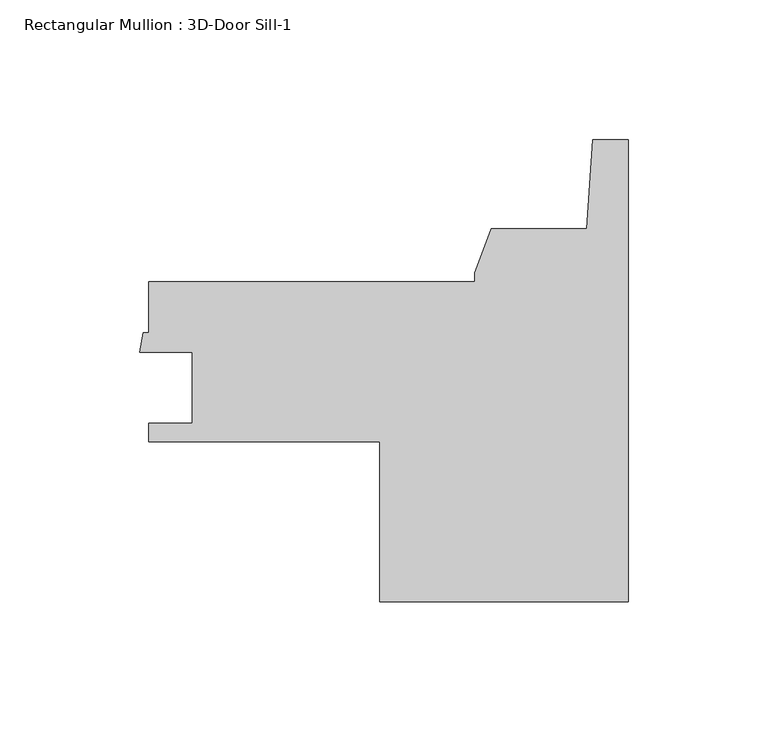
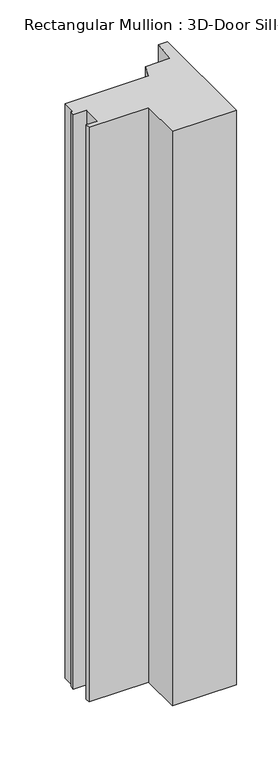
"""IFC4 building model written with IfcOpenShell, lengths in millimetres: member geometry, Rectangular Mullion : 3D-Door Sill-1."""

from ifc_helpers import new_model, si_unit, frame, origin, place, context, project, spatial, polyline, outline, extrude, source, transform, mapped, element, save


def rectangular_mullion_3d_door_sill_1_d7015c2d(model_context):
    return source(origin(), model_context, "Body", "SweptSolid", [
        extrude(outline(polyline([(-88.9, -79.671408), (-88.9, -22.5174515), (-171.4690464, -22.5174515), (-171.4690464, -15.9516547), (-155.8480465, -15.9516547), (-155.8480465, 9.4557906), (-174.5890329, 9.4557906), (-173.3105465, 16.3925491), (-171.4690465, 16.7172552), (-171.4690465, 34.6325485), (-54.7877964, 34.6325485), (-54.7877964, 37.8250008), (-49.0184697, 53.6760955), (-14.7817957, 53.6760955), (-12.5822928, 85.428592), (0.0, 85.428592), (0.0, -79.671408), (-88.9, -79.671408)])), frame((0.0, 0.0, -840.4259192), z_axis=(0.0, 0.0, 1.0), x_axis=(1.0, 0.0, 0.0)), (0.0, 0.0, 1.0), 840.4259192),
    ])


if __name__ == "__main__":
    model = new_model("IFC4")
    model_context = context("Model", 3, world=origin())
    ifc_project = project(units=[si_unit("LENGTHUNIT", "METRE", prefix="MILLI")], contexts=[model_context])
    site = spatial("IfcSite", under=ifc_project)
    building = spatial("IfcBuilding", under=site)
    placement = place(None, origin())
    rectangular_mullion_3d_door_sill_1_shape = rectangular_mullion_3d_door_sill_1_d7015c2d(model_context)
    element("IfcMember", 1, ObjectType="Rectangular Mullion : 3D-Door Sill-1", at=placement, inside=building, context=model_context, shape_type="MappedRepresentation", body=[
        mapped(rectangular_mullion_3d_door_sill_1_shape, transform((0.0, 0.0, 0.0), x_axis=(1.0, 0.0, 0.0), y_axis=(0.0, 1.0, 0.0), z_axis=(0.0, 0.0, 1.0))),
    ])
    save(model, "model.ifc")
